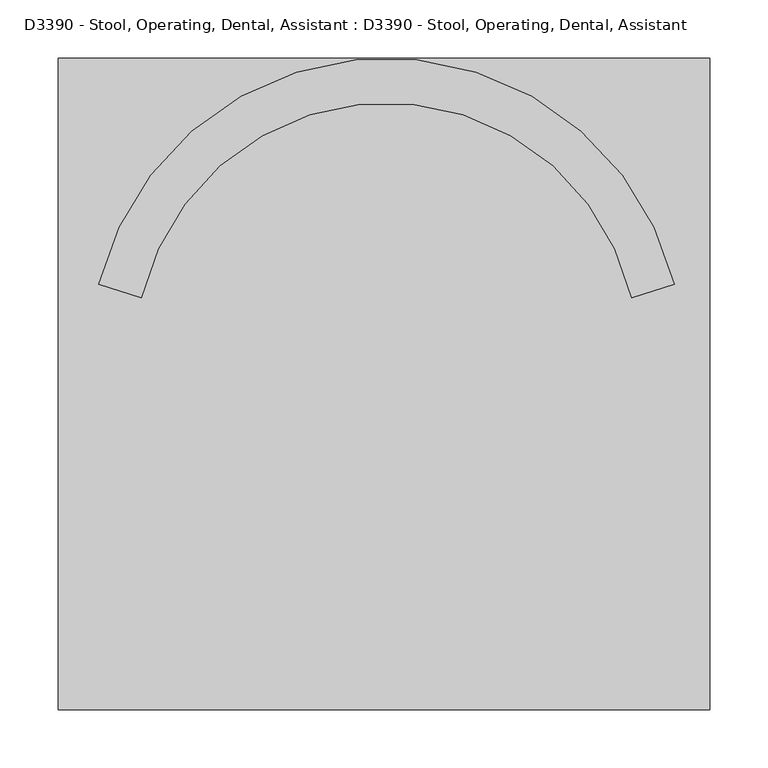
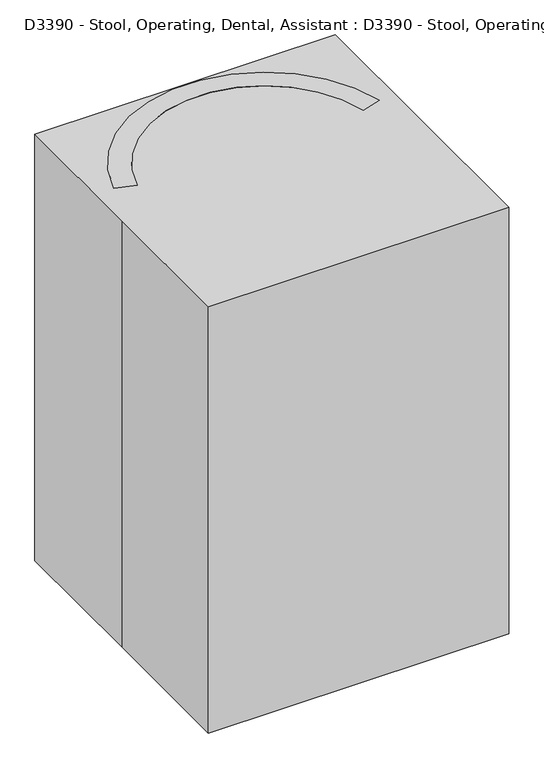
"""IFC4 building model written with IfcOpenShell, lengths in millimetres: proxy geometry, D3390 - Stool, Operating, Dental, Assistant : D3390 - Stool, Operating, Dental, Assistant."""

from ifc_helpers import new_model, si_unit, point, frame, frame_2d, origin, origin_with_axes, place, context, project, spatial, polyline, circle_curve, trimmed, segment, composite_curve, outline, extrude, source, transform, mapped, element, save


def d3390_stool_operating_dental_assistant_d3390_stool_operating_6b55747e(model_context):
    return source(origin(), model_context, "Body", "SweptSolid", [
        extrude(outline(composite_curve([segment(polyline([(20.4732576, 248.0195063), (20.4732576, 1.7267055)]), True, "CONTINUOUS"), segment(trimmed(circle_curve(frame_2d((1.7968221, -14.3144229)), 24.6196474), [point((20.4732576, 1.7267055))], [point((-16.8796133, 1.7267055))], True, "CARTESIAN"), True, "CONTINUOUS"), segment(polyline([(-16.8796133, 1.7267055), (-16.8796133, 248.0195063), (20.4732576, 248.0195063)]), True, "CONTINUOUS")], self_intersect=False)), frame((0.0, 0.0, 444.5), z_axis=(0.0, 0.0, 1.0), x_axis=(1.0, 0.0, 0.0)), (0.0, 0.0, 1.0), 38.1),
        extrude(outline(polyline([(21.2203867, 273.4195063), (21.2203867, 248.0195063), (-16.8796133, 248.0195063), (-16.8796133, 273.4195063), (21.2203867, 273.4195063)])), frame((0.0, 0.0, 444.5), z_axis=(0.0, 0.0, 1.0), x_axis=(1.0, 0.0, 0.0)), (0.0, 0.0, 1.0), 317.5),
        extrude(outline(composite_curve([segment(polyline([(248.9451465, 85.5516246), (212.5893934, 73.7389244)]), True, "CONTINUOUS"), segment(trimmed(circle_curve(frame_2d((2.1703867, 25.4)), 215.9), [point((212.5893934, 73.7389244))], [point((-208.24862, 73.7389244))], True, "CARTESIAN"), True, "CONTINUOUS"), segment(polyline([(-208.24862, 73.7389244), (-244.604373, 85.5516246)]), True, "CONTINUOUS"), segment(trimmed(circle_curve(frame_2d((2.1703867, 25.4)), 254.0), [point((-244.604373, 85.5516246))], [point((248.9451465, 85.5516246))], False, "CARTESIAN"), True, "CONTINUOUS")], self_intersect=False)), frame((0.0, 0.0, 762.0), z_axis=(0.0, 0.0, 1.0), x_axis=(1.0, 0.0, 0.0)), (0.0, 0.0, 1.0), 76.2),
        extrude(outline(composite_curve([segment(trimmed(circle_curve(frame_2d((2.1703867, -15.1442581)), 254.0), [point((-251.8296133, -15.1442581))], [point((256.1703867, -15.1442581))], False, "CARTESIAN"), True, "CONTINUOUS"), segment(trimmed(circle_curve(frame_2d((2.1703867, -15.1442581)), 254.0), [point((256.1703867, -15.1442581))], [point((-251.8296133, -15.1442581))], False, "CARTESIAN"), True, "CONTINUOUS")], self_intersect=False)), frame((0.0, 0.0, 508.0), z_axis=(0.0, 0.0, 1.0), x_axis=(1.0, 0.0, 0.0)), (0.0, 0.0, 1.0), 50.8),
        extrude(outline(composite_curve([segment(trimmed(circle_curve(frame_2d((0.0, -25.7612183)), 25.7612183), [point((0.0, -51.5224365))], [point((0.0, 0.0))], False, "CARTESIAN"), True, "CONTINUOUS"), segment(trimmed(circle_curve(frame_2d((0.0, -25.7612183)), 25.7612183), [point((0.0, 0.0))], [point((0.0, -51.5224365))], False, "CARTESIAN"), True, "CONTINUOUS")], self_intersect=False)), frame((255.027118, 50.3219114, 25.7612183), z_axis=(-0.3090169943748919, 0.9510565162951716, 0.0), x_axis=(0.0, 0.0, 1.0)), (0.0, 0.0, 1.0), 31.75),
        extrude(outline(composite_curve([segment(polyline([(-57.1058785, 0.0), (-0.678315, 0.0)]), True, "CONTINUOUS"), segment(trimmed(circle_curve(frame_2d((-28.8920967, 0.0)), 28.2137817), [point((-0.678315, 0.0))], [point((-57.1058785, 0.0))], False, "CARTESIAN"), True, "CONTINUOUS")], self_intersect=False)), frame((258.9858893, 48.2698017, 25.7612183), z_axis=(-0.30901699437489194, 0.9510565162951717, 0.0), x_axis=(0.9510565162951717, 0.30901699437489194, 0.0)), (0.0, 0.0, 1.0), 38.1),
        extrude(outline(composite_curve([segment(trimmed(circle_curve(frame_2d((225.6213344, 57.4585541)), 3.5091751), [point((224.5369397, 60.7959779))], [point((226.7057291, 54.1211302))], False, "CARTESIAN"), True, "CONTINUOUS"), segment(trimmed(circle_curve(frame_2d((225.6213344, 57.4585541)), 3.5091751), [point((226.7057291, 54.1211302))], [point((224.5369397, 60.7959779))], False, "CARTESIAN"), True, "CONTINUOUS")], self_intersect=False)), frame((0.0, 0.0, 53.975), z_axis=(0.0, 0.0, 1.0), x_axis=(1.0, 0.0, 0.0)), (0.0, 0.0, 1.0), 13.49375),
        extrude(outline(polyline([(232.199718, 52.9196229), (27.5682802, -13.5691618), (23.6440039, -1.4914812), (228.2754417, 64.9973034), (232.199718, 52.9196229)])), frame((0.0, 0.0, 67.46875), z_axis=(0.0, 0.0, 1.0), x_axis=(1.0, 0.0, 0.0)), (0.0, 0.0, 1.0), 50.8),
        extrude(outline(composite_curve([segment(trimmed(circle_curve(frame_2d((0.0, -25.7612182)), 25.7612183), [point((0.0, -51.5224365))], [point((0.0, 0.0))], False, "CARTESIAN"), True, "CONTINUOUS"), segment(trimmed(circle_curve(frame_2d((0.0, -25.7612182)), 25.7612183), [point((0.0, 0.0))], [point((0.0, -51.5224365))], False, "CARTESIAN"), True, "CONTINUOUS")], self_intersect=False)), frame((142.5694409, -235.3951411, 25.7612183), z_axis=(0.8090169943749846, 0.5877852522924221, 0.0), x_axis=(0.0, 0.0, 1.0)), (0.0, 0.0, 1.0), 31.75),
        extrude(outline(composite_curve([segment(polyline([(-57.1058785, 0.0), (-0.6783151, 0.0)]), True, "CONTINUOUS"), segment(trimmed(circle_curve(frame_2d((-28.8920968, 0.0)), 28.2137817), [point((-0.6783151, 0.0))], [point((-57.1058785, 0.0))], False, "CARTESIAN"), True, "CONTINUOUS")], self_intersect=False)), frame((141.8410962, -239.7942932, 25.7612183), z_axis=(0.8090169943749845, 0.5877852522924221, 0.0), x_axis=(0.5877852522924221, -0.8090169943749845, 0.0)), (0.0, 0.0, 1.0), 38.1),
        extrude(outline(composite_curve([segment(trimmed(circle_curve(frame_2d((140.2699045, -205.2232351)), 3.5091751), [point((143.1088868, -203.1605938))], [point((137.4309222, -207.2858765))], False, "CARTESIAN"), True, "CONTINUOUS"), segment(trimmed(circle_curve(frame_2d((140.2699045, -205.2232351)), 3.5091751), [point((137.4309222, -207.2858765))], [point((143.1088868, -203.1605938))], False, "CARTESIAN"), True, "CONTINUOUS")], self_intersect=False)), frame((0.0, 0.0, 53.975), z_axis=(0.0, 0.0, 1.0), x_axis=(1.0, 0.0, 0.0)), (0.0, 0.0, 1.0), 13.49375),
        extrude(outline(polyline([(137.9859568, -212.8822566), (11.516773, -38.8123586), (21.7906618, -31.3479415), (148.2598455, -205.4178395), (137.9859568, -212.8822566)])), frame((0.0, 0.0, 67.46875), z_axis=(0.0, 0.0, 1.0), x_axis=(1.0, 0.0, 0.0)), (0.0, 0.0, 1.0), 50.8),
        extrude(outline(composite_curve([segment(trimmed(circle_curve(frame_2d((0.0, -25.7612183)), 25.7612183), [point((0.0, -51.5224365))], [point((0.0, 0.0))], False, "CARTESIAN"), True, "CONTINUOUS"), segment(trimmed(circle_curve(frame_2d((0.0, -25.7612183)), 25.7612183), [point((0.0, 0.0))], [point((0.0, -51.5224365))], False, "CARTESIAN"), True, "CONTINUOUS")], self_intersect=False)), frame((-138.2286675, -235.3951411, 25.7612183), z_axis=(-0.8090169943749151, 0.5877852522925178, 0.0), x_axis=(0.0, 0.0, -1.0)), (0.0, 0.0, 1.0), 31.75),
        extrude(outline(composite_curve([segment(trimmed(circle_curve(frame_2d((28.8920967, 0.0)), 28.2137817), [point((57.1058785, 0.0))], [point((0.678315, 0.0))], False, "CARTESIAN"), True, "CONTINUOUS"), segment(polyline([(0.678315, 0.0), (57.1058785, 0.0)]), True, "CONTINUOUS")], self_intersect=False)), frame((-137.5003227, -239.7942932, 25.7612183), z_axis=(-0.809016994374915, 0.5877852522925177, 0.0), x_axis=(0.5877852522925177, 0.809016994374915, 0.0)), (0.0, 0.0, 1.0), 38.1),
        extrude(outline(composite_curve([segment(trimmed(circle_curve(frame_2d((-135.9303651, -205.2223386)), 3.5091751), [point((-133.0913828, -207.28498))], [point((-138.7693474, -203.1596972))], False, "CARTESIAN"), True, "CONTINUOUS"), segment(trimmed(circle_curve(frame_2d((-135.9303651, -205.2223386)), 3.5091751), [point((-138.7693474, -203.1596972))], [point((-133.0913828, -207.28498))], False, "CARTESIAN"), True, "CONTINUOUS")], self_intersect=False)), frame((0.0, 0.0, 53.975), z_axis=(0.0, 0.0, 1.0), x_axis=(1.0, 0.0, 0.0)), (0.0, 0.0, 1.0), 13.49375),
        extrude(outline(polyline([(-143.9203061, -205.416943), (-17.4511223, -31.347045), (-7.1772336, -38.8114621), (-133.6464173, -212.88136), (-143.9203061, -205.416943)])), frame((0.0, 0.0, 67.46875), z_axis=(0.0, 0.0, 1.0), x_axis=(1.0, 0.0, 0.0)), (0.0, 0.0, 1.0), 50.8),
        extrude(outline(composite_curve([segment(trimmed(circle_curve(frame_2d((0.0, -25.7612183)), 25.7612183), [point((0.0, -51.5224365))], [point((0.0, 0.0))], False, "CARTESIAN"), True, "CONTINUOUS"), segment(trimmed(circle_curve(frame_2d((0.0, -25.7612183)), 25.7612183), [point((0.0, 0.0))], [point((0.0, -51.5224365))], False, "CARTESIAN"), True, "CONTINUOUS")], self_intersect=False)), frame((-250.6863446, 50.3219114, 25.7612183), z_axis=(0.3090169943749793, 0.9510565162951433, 0.0), x_axis=(0.0, 0.0, -1.0)), (0.0, 0.0, 1.0), 31.75),
        extrude(outline(composite_curve([segment(trimmed(circle_curve(frame_2d((28.8920968, 0.0)), 28.2137817), [point((57.1058785, 0.0))], [point((0.678315, 0.0))], False, "CARTESIAN"), True, "CONTINUOUS"), segment(polyline([(0.678315, 0.0), (57.1058785, 0.0)]), True, "CONTINUOUS")], self_intersect=False)), frame((-254.6451159, 48.2698017, 25.7612183), z_axis=(0.3090169943749793, 0.9510565162951433, 0.0), x_axis=(0.9510565162951433, -0.3090169943749793, 0.0)), (0.0, 0.0, 1.0), 38.1),
        extrude(outline(composite_curve([segment(trimmed(circle_curve(frame_2d((-221.2800896, 57.4600047)), 3.5091751), [point((-222.3644844, 54.1225809))], [point((-220.1956949, 60.7974286))], False, "CARTESIAN"), True, "CONTINUOUS"), segment(trimmed(circle_curve(frame_2d((-221.2800896, 57.4600047)), 3.5091751), [point((-220.1956949, 60.7974286))], [point((-222.3644844, 54.1225809))], False, "CARTESIAN"), True, "CONTINUOUS")], self_intersect=False)), frame((0.0, 0.0, 53.975), z_axis=(0.0, 0.0, 1.0), x_axis=(1.0, 0.0, 0.0)), (0.0, 0.0, 1.0), 13.49375),
        extrude(outline(polyline([(-223.9341969, 64.9987541), (-19.3027591, -1.4900305), (-23.2270354, -13.5677111), (-227.8584732, 52.9210735), (-223.9341969, 64.9987541)])), frame((0.0, 0.0, 67.46875), z_axis=(0.0, 0.0, 1.0), x_axis=(1.0, 0.0, 0.0)), (0.0, 0.0, 1.0), 50.8),
        extrude(outline(composite_curve([segment(trimmed(circle_curve(frame_2d((219.8057246, 25.7612183)), 25.7612183), [point((194.0445063, 25.7612183))], [point((245.5669428, 25.7612183))], False, "CARTESIAN"), True, "CONTINUOUS"), segment(trimmed(circle_curve(frame_2d((219.8057246, 25.7612183)), 25.7612183), [point((245.5669428, 25.7612183))], [point((194.0445063, 25.7612183))], False, "CARTESIAN"), True, "CONTINUOUS")], self_intersect=False)), frame((-13.7046133, 0.0, 0.0), z_axis=(1.0, 0.0, 0.0), x_axis=(0.0, 1.0, 0.0)), (0.0, 0.0, 1.0), 31.75),
        extrude(outline(composite_curve([segment(trimmed(circle_curve(frame_2d((219.8057246, 25.7612183)), 28.2137817), [point((191.5919428, 25.7612183))], [point((248.0195063, 25.7612183))], False, "CARTESIAN"), True, "CONTINUOUS"), segment(polyline([(248.0195063, 25.7612183), (191.5919428, 25.7612183)]), True, "CONTINUOUS")], self_intersect=False)), frame((-16.8796133, 0.0, 0.0), z_axis=(1.0, 0.0, 0.0), x_axis=(0.0, 1.0, 0.0)), (0.0, 0.0, 1.0), 38.1),
        extrude(outline(composite_curve([segment(trimmed(circle_curve(frame_2d((2.1711494, 219.8057246)), 3.5091751), [point((-1.3380257, 219.8057246))], [point((5.6803245, 219.8057246))], False, "CARTESIAN"), True, "CONTINUOUS"), segment(trimmed(circle_curve(frame_2d((2.1711494, 219.8057246)), 3.5091751), [point((5.6803245, 219.8057246))], [point((-1.3380257, 219.8057246))], False, "CARTESIAN"), True, "CONTINUOUS")], self_intersect=False)), frame((0.0, 0.0, 53.975), z_axis=(0.0, 0.0, 1.0), x_axis=(1.0, 0.0, 0.0)), (0.0, 0.0, 1.0), 13.49375),
        extrude(outline(polyline([(8.5207618, 224.6595323), (8.5207618, 9.4973056), (-4.178463, 9.4973056), (-4.178463, 224.6595323), (8.5207618, 224.6595323)])), frame((0.0, 0.0, 67.46875), z_axis=(0.0, 0.0, 1.0), x_axis=(1.0, 0.0, 0.0)), (0.0, 0.0, 1.0), 50.8),
        extrude(outline(composite_curve([segment(trimmed(circle_curve(frame_2d((2.1703867, -15.1442581)), 25.4466483), [point((-23.2762616, -15.1442581))], [point((27.6170351, -15.1442581))], False, "CARTESIAN"), True, "CONTINUOUS"), segment(trimmed(circle_curve(frame_2d((2.1703867, -15.1442581)), 25.4466483), [point((27.6170351, -15.1442581))], [point((-23.2762616, -15.1442581))], False, "CARTESIAN"), True, "CONTINUOUS")], self_intersect=False)), frame((0.0, 0.0, 67.46875), z_axis=(0.0, 0.0, 1.0), x_axis=(1.0, 0.0, 0.0)), (0.0, 0.0, 1.0), 440.53125),
        extrude(outline(polyline([(-279.4, 279.4), (279.4, 279.4), (279.4, -279.4), (-279.4, -279.4), (-279.4, 0.0), (-279.4, 279.4)])), origin_with_axes(), (0.0, 0.0, 1.0), 838.2),
    ])


if __name__ == "__main__":
    model = new_model("IFC4")
    model_context = context("Model", 3, world=origin())
    ifc_project = project(units=[si_unit("LENGTHUNIT", "METRE", prefix="MILLI")], contexts=[model_context])
    site = spatial("IfcSite", under=ifc_project)
    building = spatial("IfcBuilding", under=site)
    placement = place(None, origin())
    d3390_stool_operating_dental_assistant_d3390_stool_operating_shape = d3390_stool_operating_dental_assistant_d3390_stool_operating_6b55747e(model_context)
    element("IfcBuildingElementProxy", 1, Name="D3390 - Stool, Operating, Dental, Assistant : D3390 - Stool, Operating, Dental, Assistant", ObjectType="D3390 - Stool, Operating, Dental, Assistant : D3390 - Stool, Operating, Dental, Assistant", at=placement, inside=building, context=model_context, shape_type="MappedRepresentation", body=[
        mapped(d3390_stool_operating_dental_assistant_d3390_stool_operating_shape, transform((0.0, 0.0, 0.0), x_axis=(1.0, 0.0, 0.0), y_axis=(0.0, 1.0, 0.0), z_axis=(0.0, 0.0, 1.0))),
    ])
    save(model, "model.ifc")
